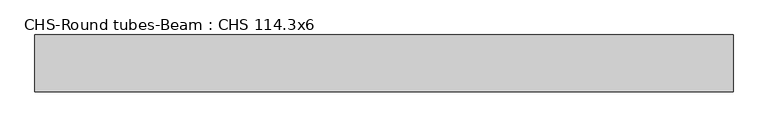
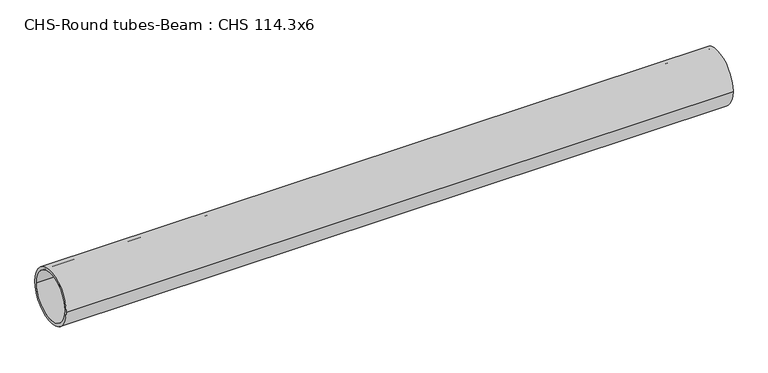
"""IFC4 building model written with IfcOpenShell, lengths in millimetres: beam geometry, CHS-Round tubes-Beam : CHS 114.3x6."""

from ifc_helpers import new_model, si_unit, point, frame, origin, origin_2d, place, context, project, spatial, circle_curve, trimmed, segment, composite_curve, outline, extrude, source, transform, mapped, element, save


def chs_round_tubes_beam_chs_114_3x6_9ce455f8(model_context):
    return source(origin(), model_context, "Body", "SweptSolid", [
        extrude(outline(composite_curve([segment(trimmed(circle_curve(origin_2d(), 57.15), [point((57.15, 0.0))], [point((-57.15, 0.0))], False, "CARTESIAN"), True, "CONTINUOUS"), segment(trimmed(circle_curve(origin_2d(), 57.15), [point((-57.15, 0.0))], [point((57.15, 0.0))], False, "CARTESIAN"), True, "CONTINUOUS")], self_intersect=False), holes=[composite_curve([segment(trimmed(circle_curve(origin_2d(), 51.15), [point((51.15, 0.0))], [point((-51.15, 0.0))], True, "CARTESIAN"), True, "CONTINUOUS"), segment(trimmed(circle_curve(origin_2d(), 51.15), [point((-51.15, 0.0))], [point((51.15, 0.0))], True, "CARTESIAN"), True, "CONTINUOUS")], self_intersect=False)]), frame((-700.9440385, 0.0, 0.0), z_axis=(1.0, 0.0, 0.0), x_axis=(0.0, 1.0, 0.0)), (0.0, 0.0, 1.0), 1401.809899),
    ])


if __name__ == "__main__":
    model = new_model("IFC4")
    model_context = context("Model", 3, world=origin())
    ifc_project = project(units=[si_unit("LENGTHUNIT", "METRE", prefix="MILLI")], contexts=[model_context])
    site = spatial("IfcSite", under=ifc_project)
    building = spatial("IfcBuilding", under=site)
    placement = place(None, origin())
    chs_round_tubes_beam_chs_114_3x6_shape = chs_round_tubes_beam_chs_114_3x6_9ce455f8(model_context)
    element("IfcBeam", 1, ObjectType="CHS-Round tubes-Beam : CHS 114.3x6", at=placement, inside=building, context=model_context, shape_type="MappedRepresentation", body=[
        mapped(chs_round_tubes_beam_chs_114_3x6_shape, transform((0.0, 0.0, 0.0), x_axis=(1.0, 0.0, 0.0), y_axis=(0.0, 1.0, 0.0), z_axis=(0.0, 0.0, 1.0))),
    ])
    save(model, "model.ifc")
